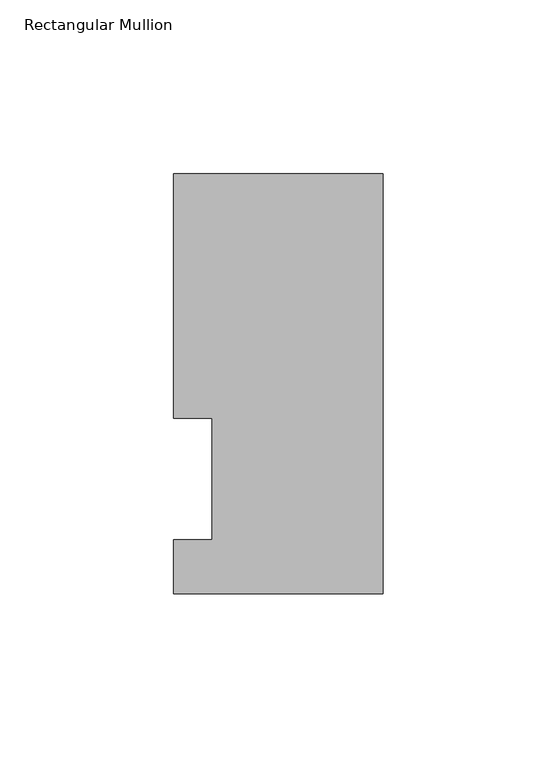
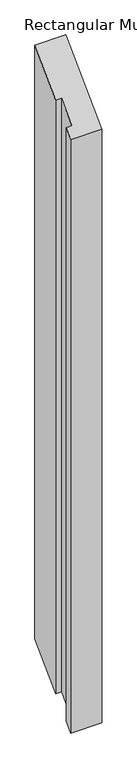
"""IFC4 building model written with IfcOpenShell, lengths in millimetres: member geometry, Rectangular Mullion."""

from ifc_helpers import new_model, si_unit, origin, place, context, project, spatial, faceted_brep, source, transform, mapped, element, save


def rectangular_mullion_7b2d62b0(model_context):
    return source(origin(), model_context, "Body", "Brep", [
        faceted_brep([(0.0, 117.4859878, 117.4859878), (0.0, -3.3164122, -3.3164122), (0.0, -3.3164122, -1222.5164122), (0.0, 117.4859878, -1101.7140122), (-60.3251015, 117.4859878, 117.4859878), (-60.3251015, 117.4859878, -1101.7140122), (-60.3251015, 47.0517878, 47.0517878), (-60.3251015, 47.0517878, -1172.1482122), (-49.2253015, 47.0517878, 47.0517878), (-49.2253015, 47.0517878, -1172.1482122), (-49.2253015, 12.1267878, 12.1267878), (-49.2253015, 12.1267878, -1207.0732122), (-60.3251015, 12.1267878, 12.1267878), (-60.3251015, 12.1267878, -1207.0732122), (-60.3251015, -3.3164122, -3.3164122), (-60.3251015, -3.3164122, -1222.5164122)], [[[0, 1, 2, 3]], [[4, 0, 3, 5]], [[6, 4, 5, 7]], [[8, 6, 7, 9]], [[10, 8, 9, 11]], [[12, 10, 11, 13]], [[14, 12, 13, 15]], [[1, 14, 15, 2]], [[1, 0, 4, 6, 8, 10, 12, 14]], [[2, 15, 13, 11, 9, 7, 5, 3]]]),
    ])


if __name__ == "__main__":
    model = new_model("IFC4")
    model_context = context("Model", 3, world=origin())
    ifc_project = project(units=[si_unit("LENGTHUNIT", "METRE", prefix="MILLI")], contexts=[model_context])
    site = spatial("IfcSite", under=ifc_project)
    building = spatial("IfcBuilding", under=site)
    placement = place(None, origin())
    rectangular_mullion_shape = rectangular_mullion_7b2d62b0(model_context)
    element("IfcMember", 1, ObjectType="Rectangular Mullion", at=placement, inside=building, context=model_context, shape_type="MappedRepresentation", body=[
        mapped(rectangular_mullion_shape, transform((0.0, 0.0, 0.0), x_axis=(1.0, 0.0, 0.0), y_axis=(0.0, 1.0, 0.0), z_axis=(0.0, 0.0, 1.0))),
    ])
    save(model, "model.ifc")
